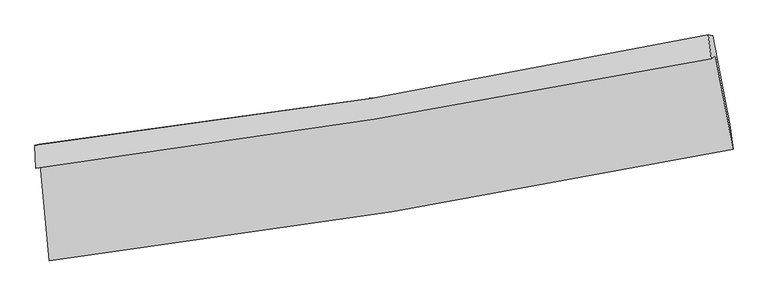
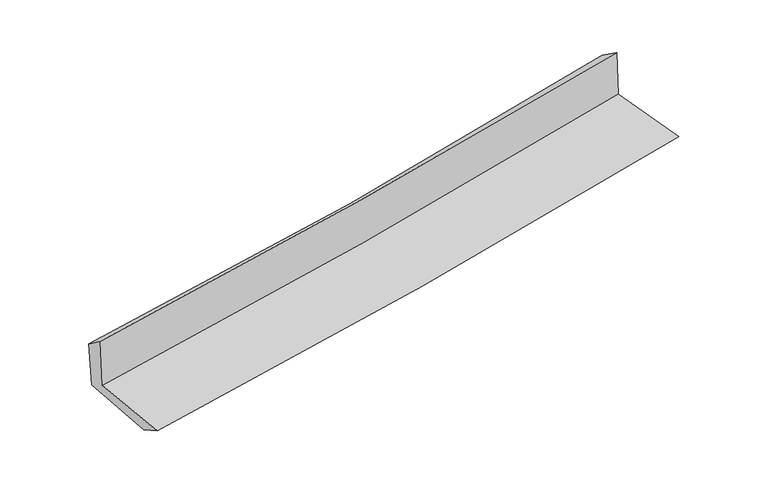
"""IFC4 building model written with IfcOpenShell, lengths in millimetres: proxy geometry."""

from ifc_helpers import new_model, si_unit, frame, origin, place, context, project, spatial, source, transform, mapped, element, save
from ifc_brep_helpers import plane_surface, spline_curve, spline_surface, advanced_brep


def generic_models_550c9335(model_context):
    return source(origin(), model_context, "Body", "AdvancedBrep", [
        advanced_brep(
        [(-2409.2453905, -1867.5873088, 1661.4019282), (-2343.9938432, -2546.4968275, 1648.9784712), (2486.9593014, -1759.6015929, 2090.2742699), (2362.3280975, -1096.2169996, 2110.3131735), (-2441.0759919, -1893.1840581, 2081.5414191), (2332.8863535, -1120.2297411, 2503.0984312), (-2446.6800184, -1729.2399256, 1960.0052968), (2311.6205781, -950.7703486, 2385.7027917), (-2416.4846142, -1722.9685393, 1582.3521592), (2343.17217, -954.921348, 2028.9378183), (-2352.7642028, -2370.3206305, 1552.0837301), (2463.0524492, -1583.3084174, 1988.8148193)],
        [
            (0, 1),
            (1, 2, spline_curve(3, [(-2343.9938432, -2546.4968275, 1648.9784712), (-1534.15902141, -2445.740512073, 1723.199349714), (-727.27198043, -2329.910848718, 1797.0289218), (883.063781838, -2067.704721559, 1944.12991701), (1686.494455718, -1921.235973229, 2017.398944561), (2486.9593014, -1759.6015929, 2090.2742699)], [4, 2, 4], [0.0, 8.001741702004875, 16.027940744036716])),
            (2, 3),
            (3, 0, spline_curve(3, [(2362.3280975, -1096.2169996, 2110.3131735), (1570.236187207, -1252.46459778, 2035.217359262), (775.949010362, -1394.946369809, 1960.203222849), (-814.588843959, -1651.986039863, 1810.566637866), (-1610.826163356, -1766.627704324, 1735.943692827), (-2409.2453905, -1867.5873088, 1661.4019282)], [4, 2, 4], [0.0, 8.026199042031841, 16.027940744036716])),
            (4, 0),
            (3, 5),
            (5, 4, spline_curve(3, [(2332.8863535, -1120.2297411, 2503.0984312), (1540.3356319, -1276.750925193, 2433.386974878), (745.619720021, -1419.501685191, 2363.347390567), (-845.714237229, -1677.069330034, 2222.826389704), (-1642.319107158, -1791.970008848, 2152.346969968), (-2441.0759919, -1893.1840581, 2081.5414191)], [4, 2, 4], [0.0, 7.976726743603491, 15.929146898590272])),
            (6, 4),
            (5, 7),
            (7, 6, spline_curve(3, [(2311.6205781, -950.7703486, 2385.7027917), (1523.271042694, -1118.870838207, 2312.649928591), (731.961650421, -1267.863425417, 2240.596096306), (-854.156559238, -1527.237010889, 2098.703010656), (-1648.947365862, -1637.734282792, 2028.857677844), (-2446.6800184, -1729.2399256, 1960.0052968)], [4, 2, 4], [0.0, 7.9658772323085465, 15.90748093650455])),
            (8, 6),
            (7, 9),
            (9, 8, spline_curve(3, [(2343.17217, -954.921348, 2028.9378183), (1555.482673786, -1124.368697399, 1945.708041271), (764.389436718, -1273.162501801, 1866.827519872), (-822.183536802, -1529.052553695, 1717.992099331), (-1617.64256123, -1636.274479423, 1648.010734163), (-2416.4846142, -1722.9685393, 1582.3521592)], [4, 2, 4], [0.0, 7.956479957915663, 15.888715022983613])),
            (10, 8),
            (9, 11),
            (11, 10, spline_curve(3, [(2463.0524492, -1583.3084174, 1988.8148193), (1668.583763648, -1768.282521394, 1911.814970293), (869.411821647, -1926.41310225, 1836.868382272), (-735.889015327, -2188.58716136, 1691.303846824), (-1541.98929096, -2292.793984694, 1620.673405319), (-2352.7642028, -2370.3206305, 1552.0837301)], [4, 2, 4], [0.0, 8.006119897758158, 15.987843640423389])),
            (1, 10),
            (11, 2),
        ],
        [
            spline_surface(3, 3, [[(-2409.2453905, -1867.5873088, 1661.4019282), (-1610.826163276, -1766.6277043, 1735.943692795), (-814.588843998, -1651.986039882, 1810.566637974), (775.949010401, -1394.94636979, 1960.203222741), (1570.236187118, -1252.46459781, 2035.217359297), (2362.3280975, -1096.2169996, 2110.3131735)], [(-2387.494874743, -2093.890481718, 1657.260775858), (-1585.270449319, -1992.998640221, 1731.695578431), (-785.483222791, -1877.960976173, 1806.054065902), (811.653934212, -1619.199153685, 1954.845454179), (1608.988943303, -1475.388389626, 2029.277887711), (2403.87183213, -1317.345197387, 2103.633538959)], [(-2365.744358957, -2320.193654582, 1653.119623542), (-1559.714735334, -2219.369576088, 1727.447464094), (-756.377601609, -2103.935912487, 1801.541493828), (847.358857998, -1843.451937605, 1949.487685615), (1647.741699498, -1698.312181381, 2023.338416147), (2445.41556677, -1538.473395113, 2096.953904441)], [(-2343.9938432, -2546.4968275, 1648.9784712), (-1534.159021377, -2445.740512009, 1723.19934973), (-727.271980401, -2329.910848777, 1797.028921756), (883.063781809, -2067.7047215, 1944.129917054), (1686.494455683, -1921.235973197, 2017.39894456), (2486.9593014, -1759.6015929, 2090.2742699)]], [4, 4], [4, 2, 4], [0.0, 2.2390420999642338], [0.0, 8.001741702004875, 16.027940744036716]),
            spline_surface(3, 3, [[(-2441.0759919, -1893.1840581, 2081.5414191), (-1642.319107144, -1791.970008932, 2152.34697006), (-845.714237183, -1677.06932997, 2222.826389767), (745.619719975, -1419.501685255, 2363.347390504), (1540.335631858, -1276.750925222, 2433.3869748), (2332.8863535, -1120.2297411, 2503.0984312)], [(-2430.465791427, -1884.651808325, 1941.494922142), (-1631.821459182, -1783.522574047, 2013.545877647), (-835.33910614, -1668.708233277, 2085.406472492), (755.729483432, -1411.316580103, 2228.966001239), (1550.302483642, -1268.655482744, 2300.663769642), (2342.700268198, -1112.225493926, 2372.170011976)], [(-2419.855590973, -1876.119558575, 1801.448425158), (-1621.323811239, -1775.075139185, 1874.744785208), (-824.963975041, -1660.347136575, 1947.986555249), (765.839246944, -1403.131474942, 2094.584612006), (1560.269335334, -1260.560040288, 2167.940564456), (2352.514182802, -1104.221246774, 2241.241592724)], [(-2409.2453905, -1867.5873088, 1661.4019282), (-1610.826163276, -1766.6277043, 1735.943692795), (-814.588843998, -1651.986039882, 1810.566637974), (775.949010401, -1394.94636979, 1960.203222741), (1570.236187118, -1252.46459781, 2035.217359297), (2362.3280975, -1096.2169996, 2110.3131735)]], [4, 4], [4, 2, 4], [0.0, 1.3438217546580022], [0.0, 7.952420154986781, 15.929146898590272]),
            spline_surface(3, 3, [[(-2446.6800184, -1729.2399256, 1960.0052968), (-1648.947365993, -1637.734282915, 2028.857677939), (-854.156559322, -1527.237010996, 2098.703010581), (731.961650505, -1267.86342531, 2240.596096381), (1523.271042677, -1118.870838265, 2312.649928653), (2311.6205781, -950.7703486, 2385.7027917)], [(-2444.812009552, -1783.887969752, 2000.517337565), (-1646.737946362, -1689.146191573, 2070.020775311), (-851.342451922, -1577.181117344, 2140.077470309), (736.514340348, -1318.409511981, 2281.513194421), (1528.959239068, -1171.497533918, 2352.89561069), (2318.709169898, -1007.256812767, 2424.834671521)], [(-2442.944000748, -1838.536013948, 2041.029378335), (-1644.528526775, -1740.558100275, 2111.183872688), (-848.528344582, -1627.125223622, 2181.451930039), (741.067030132, -1368.955598584, 2322.430292463), (1534.647435466, -1224.124229569, 2393.141292764), (2325.797761702, -1063.743276933, 2463.966551379)], [(-2441.0759919, -1893.1840581, 2081.5414191), (-1642.319107144, -1791.970008932, 2152.34697006), (-845.714237183, -1677.06932997, 2222.826389767), (745.619719975, -1419.501685255, 2363.347390504), (1540.335631858, -1276.750925222, 2433.3869748), (2332.8863535, -1120.2297411, 2503.0984312)]], [4, 4], [4, 2, 4], [0.0, 0.6402305764050478], [0.0, 7.9416037041960035, 15.90748093650455]),
            spline_surface(3, 3, [[(-2416.4846142, -1722.9685393, 1582.3521592), (-1617.642561147, -1636.274479519, 1648.010734229), (-822.183536782, -1529.052553614, 1717.992099226), (764.389436698, -1273.162501883, 1866.827519977), (1555.482673719, -1124.368697362, 1945.708041343), (2343.17217, -954.921348, 2028.9378183)], [(-2426.54974893, -1725.059001399, 1708.236538399), (-1628.077496092, -1636.761080649, 1774.959715465), (-832.841210979, -1528.44737273, 1844.895736354), (753.580174617, -1271.396143014, 1991.417045455), (1544.745463363, -1122.536077648, 2068.022003802), (2332.654972691, -953.537681518, 2147.859476122)], [(-2436.61488367, -1727.149463501, 1834.120917601), (-1638.512431048, -1637.247681784, 1901.908696703), (-843.498885125, -1527.84219188, 1971.799373453), (742.770912586, -1269.629784178, 2116.006570903), (1534.008253033, -1120.70345798, 2190.335966194), (2322.137775409, -952.154015082, 2266.781133878)], [(-2446.6800184, -1729.2399256, 1960.0052968), (-1648.947365993, -1637.734282915, 2028.857677939), (-854.156559322, -1527.237010996, 2098.703010581), (731.961650505, -1267.86342531, 2240.596096381), (1523.271042677, -1118.870838265, 2312.649928653), (2311.6205781, -950.7703486, 2385.7027917)]], [4, 4], [4, 2, 4], [0.0, 1.242184290657183], [0.0, 7.93223506506795, 15.888715022983613]),
            spline_surface(3, 3, [[(-2352.7642028, -2370.3206305, 1552.0837301), (-1541.989290889, -2292.79398481, 1620.673405239), (-735.889015379, -2188.58716135, 1691.30384682), (869.411821698, -1926.413102261, 1836.868382277), (1668.58376352, -1768.282521377, 1911.814970425), (2463.0524492, -1583.3084174, 1988.8148193)], [(-2374.00433996, -2154.536600097, 1562.173206443), (-1567.207047668, -2073.954149709, 1629.785848212), (-764.653855834, -1968.742292107, 1700.199930957), (834.404360045, -1708.662902137, 1846.854761512), (1630.883400233, -1553.644580042, 1923.112660708), (2423.092356113, -1373.846060937, 2002.189152277)], [(-2395.24447704, -1938.752569703, 1572.262682857), (-1592.424804368, -1855.114314619, 1638.898291256), (-793.418696327, -1748.897422857, 1709.096015088), (799.396898352, -1490.912702007, 1856.841140742), (1593.183037006, -1339.006638696, 1934.41035106), (2383.132263087, -1164.383704463, 2015.563485323)], [(-2416.4846142, -1722.9685393, 1582.3521592), (-1617.642561147, -1636.274479519, 1648.010734229), (-822.183536782, -1529.052553614, 1717.992099226), (764.389436698, -1273.162501883, 1866.827519977), (1555.482673719, -1124.368697362, 1945.708041343), (2343.17217, -954.921348, 2028.9378183)]], [4, 4], [4, 2, 4], [0.0, 2.178233410700555], [0.0, 7.98172374266523, 15.987843640423389]),
            spline_surface(3, 3, [[(-2343.9938432, -2546.4968275, 1648.9784712), (-1534.159021377, -2445.740512009, 1723.19934973), (-727.271980401, -2329.910848777, 1797.028921756), (883.063781809, -2067.7047215, 1944.129917054), (1686.494455683, -1921.235973197, 2017.39894456), (2486.9593014, -1759.6015929, 2090.2742699)], [(-2346.917296389, -2487.77142851, 1616.680224193), (-1536.769111203, -2394.758336286, 1689.024034926), (-730.1443254, -2282.802952958, 1761.78723011), (878.513128433, -2020.607515077, 1908.376072127), (1680.524224965, -1870.251489254, 1982.204286527), (2478.99035067, -1700.837201064, 2056.454453045)], [(-2349.840749611, -2429.04602949, 1584.381977107), (-1539.379201063, -2343.776160533, 1654.848720043), (-733.016670381, -2235.695057168, 1726.545538466), (873.962475075, -1973.510308683, 1872.622227203), (1674.553994238, -1819.267005319, 1947.009628458), (2471.02139993, -1642.072809236, 2022.634636155)], [(-2352.7642028, -2370.3206305, 1552.0837301), (-1541.989290889, -2292.79398481, 1620.673405239), (-735.889015379, -2188.58716135, 1691.30384682), (869.411821698, -1926.413102261, 1836.868382277), (1668.58376352, -1768.282521377, 1911.814970425), (2463.0524492, -1583.3084174, 1988.8148193)]], [4, 4], [4, 2, 4], [0.0, 0.5816747807126302], [0.0, 8.040220280926468, 16.10501551173579]),
            plane_surface(frame((2383.3364916, -1244.1747413, 2184.5235507), z_axis=(0.97974828016816, 0.18151343661623465, 0.08453508050092066), x_axis=(-0.08808828143076089, 0.011589095356097553, 0.996045253762801))),
            plane_surface(frame((-2401.7073435, -2021.6328816, 1747.7271674), z_axis=(-0.9922902737441576, -0.09389092289613447, -0.08089812872036786), x_axis=(-0.09565555049205002, 0.9952478748176411, 0.018212175351450668))),
        ],
        [
            (0, [[1, 2, 3, 4]]),
            (1, [[5, -4, 6, 7]]),
            (2, [[8, -7, 9, 10]]),
            (3, [[11, -10, 12, 13]]),
            (4, [[14, -13, 15, 16]]),
            (5, [[17, -16, 18, -2]]),
            (6, [[-12, -9, -6, -3, -18, -15]]),
            (7, [[-1, -5, -8, -11, -14, -17]]),
        ],
    ),
    ])


if __name__ == "__main__":
    model = new_model("IFC4")
    model_context = context("Model", 3, world=origin())
    ifc_project = project(units=[si_unit("LENGTHUNIT", "METRE", prefix="MILLI")], contexts=[model_context])
    site = spatial("IfcSite", under=ifc_project)
    building = spatial("IfcBuilding", under=site)
    placement = place(None, origin())
    generic_models_shape = generic_models_550c9335(model_context)
    element("IfcBuildingElementProxy", 1, Name="Generic Models", at=placement, inside=building, context=model_context, shape_type="MappedRepresentation", body=[
        mapped(generic_models_shape, transform((0.0, 0.0, 0.0), x_axis=(1.0, 0.0, 0.0), y_axis=(0.0, 1.0, 0.0), z_axis=(0.0, 0.0, 1.0))),
    ])
    save(model, "model.ifc")
